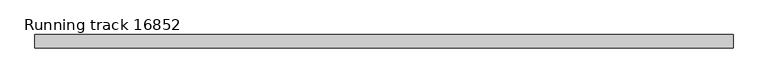
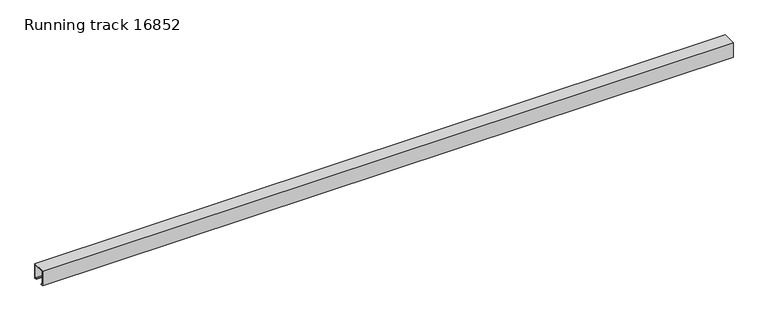
"""IFC4 building model written with IfcOpenShell, lengths in millimetres: proxy geometry, Running track 16852."""

from ifc_helpers import new_model, si_unit, frame, origin, place, context, project, spatial, polyline, outline, extrude, source, transform, mapped, element, save


def running_track_16852_546f8e50(model_context):
    return source(origin(), model_context, "Body", "SweptSolid", [
        extrude(outline(polyline([(25.0, 0.0), (17.0, 0.0), (17.0, 3.0), (21.9166556, 3.0), (21.9166556, 55.0), (-22.0, 55.0), (-22.0, 3.0), (-17.0, 3.0), (-17.0, 0.0), (-25.0, 0.0), (-25.0, 58.0), (25.0, 58.0), (25.0, 0.0)])), frame((0.0, 0.0, 0.0), z_axis=(1.0, 0.0, 0.0), x_axis=(0.0, 1.0, 0.0)), (0.0, 0.0, 1.0), 2600.0),
    ])


if __name__ == "__main__":
    model = new_model("IFC4")
    model_context = context("Model", 3, world=origin())
    ifc_project = project(units=[si_unit("LENGTHUNIT", "METRE", prefix="MILLI")], contexts=[model_context])
    site = spatial("IfcSite", under=ifc_project)
    building = spatial("IfcBuilding", under=site)
    placement = place(None, origin())
    running_track_16852_shape = running_track_16852_546f8e50(model_context)
    element("IfcBuildingElementProxy", 1, Name="Running track 16852", ObjectType="Running track 16852", at=placement, inside=building, context=model_context, shape_type="MappedRepresentation", body=[
        mapped(running_track_16852_shape, transform((0.0, 0.0, 0.0), x_axis=(1.0, 0.0, 0.0), y_axis=(0.0, 1.0, 0.0), z_axis=(0.0, 0.0, 1.0))),
    ])
    save(model, "model.ifc")
